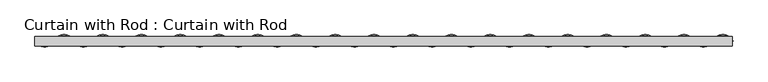
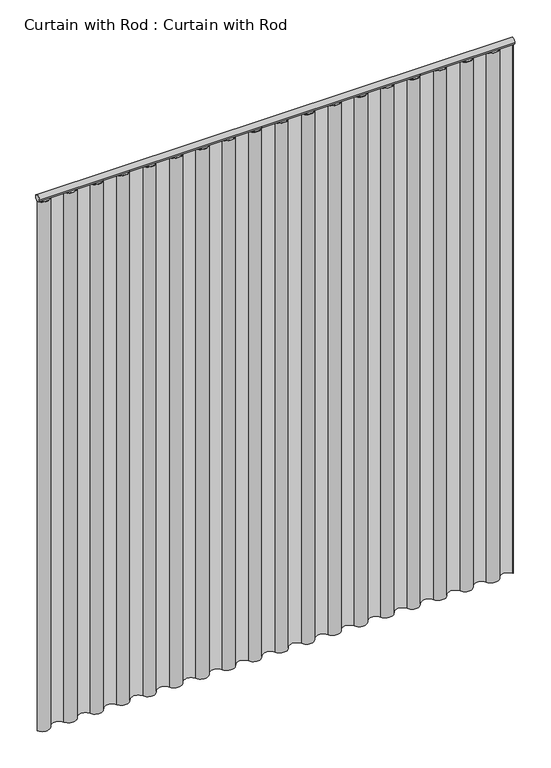
"""IFC4 building model written with IfcOpenShell, lengths in millimetres: proxy geometry, Curtain with Rod : Curtain with Rod."""

from ifc_helpers import new_model, si_unit, point, frame, frame_2d, origin, origin_with_axes, place, context, project, spatial, polyline, circle_curve, trimmed, segment, composite_curve, outline, extrude, source, transform, mapped, element, save


def curtain_with_rod_curtain_with_rod_0c51e3da(model_context):
    return source(origin(), model_context, "Body", "SweptSolid", [
        extrude(outline(composite_curve([segment(trimmed(circle_curve(frame_2d((0.0, 2171.7)), 12.7), [point((12.7, 2171.7))], [point((-12.7, 2171.7))], False, "CARTESIAN"), True, "CONTINUOUS"), segment(trimmed(circle_curve(frame_2d((0.0, 2171.7)), 12.7), [point((-12.7, 2171.7))], [point((12.7, 2171.7))], False, "CARTESIAN"), True, "CONTINUOUS")], self_intersect=False)), frame((-916.72328, 0.0, 0.0), z_axis=(1.0, 0.0, 0.0), x_axis=(0.0, 1.0, 0.0)), (0.0, 0.0, 1.0), 1833.4465601),
        extrude(outline(composite_curve([segment(trimmed(circle_curve(frame_2d((-891.2587445, 12.9779855)), 28.5809496), [point((-865.7942089, 0.0))], [point((-916.72328, 0.0))], False, "CARTESIAN"), True, "CONTINUOUS"), segment(polyline([(-916.72328, 0.0), (-914.8568786, 0.0)]), True, "CONTINUOUS"), segment(trimmed(circle_curve(frame_2d((-891.2587445, 12.9779855)), 26.931395), [point((-914.8568786, 0.0))], [point((-867.231925, 0.8119678))], True, "CARTESIAN"), True, "CONTINUOUS"), segment(trimmed(circle_curve(frame_2d((-840.3296734, -12.820239)), 30.1590485), [point((-867.231925, 0.8119678))], [point((-813.3835205, 0.7249835))], False, "CARTESIAN"), True, "CONTINUOUS"), segment(trimmed(circle_curve(frame_2d((-789.4006023, 12.8016835)), 26.8519469), [point((-813.3835205, 0.7249835))], [point((-765.414648, 0.7310146))], True, "CARTESIAN"), True, "CONTINUOUS"), segment(trimmed(circle_curve(frame_2d((-738.4715311, -12.8016835)), 30.1507125), [point((-765.414648, 0.7310146))], [point((-711.5290624, 0.7323047))], False, "CARTESIAN"), True, "CONTINUOUS"), segment(trimmed(circle_curve(frame_2d((-687.54246, 12.8016835)), 26.8519459), [point((-711.5290624, 0.7323047))], [point((-663.556507, 0.7310145))], True, "CARTESIAN"), True, "CONTINUOUS"), segment(trimmed(circle_curve(frame_2d((-636.6133889, -12.8016835)), 30.1507135), [point((-663.556507, 0.7310145))], [point((-609.6709183, 0.7323034))], False, "CARTESIAN"), True, "CONTINUOUS"), segment(trimmed(circle_curve(frame_2d((-585.6843178, 12.8016835)), 26.8519448), [point((-609.6709183, 0.7323034))], [point((-561.6983649, 0.7310165))], True, "CARTESIAN"), True, "CONTINUOUS"), segment(trimmed(circle_curve(frame_2d((-534.7552467, -12.8016835)), 30.1507146), [point((-561.6983649, 0.7310165))], [point((-507.8127744, 0.7323024))], False, "CARTESIAN"), True, "CONTINUOUS"), segment(trimmed(circle_curve(frame_2d((-483.8261756, 12.8016835)), 26.8519438), [point((-507.8127744, 0.7323024))], [point((-459.8402228, 0.7310186))], True, "CARTESIAN"), True, "CONTINUOUS"), segment(trimmed(circle_curve(frame_2d((-432.8971045, -12.8016835)), 30.1507156), [point((-459.8402228, 0.7310186))], [point((-405.9546305, 0.7323013))], False, "CARTESIAN"), True, "CONTINUOUS"), segment(trimmed(circle_curve(frame_2d((-381.9680334, 12.8016835)), 26.8519427), [point((-405.9546305, 0.7323013))], [point((-357.9820807, 0.7310207))], True, "CARTESIAN"), True, "CONTINUOUS"), segment(trimmed(circle_curve(frame_2d((-331.0389622, -12.8016835)), 30.1507166), [point((-357.9820807, 0.7310207))], [point((-304.0964865, 0.7323002))], False, "CARTESIAN"), True, "CONTINUOUS"), segment(trimmed(circle_curve(frame_2d((-280.1098911, 12.8016835)), 26.8519417), [point((-304.0964865, 0.7323002))], [point((-256.1239386, 0.7310227))], True, "CARTESIAN"), True, "CONTINUOUS"), segment(trimmed(circle_curve(frame_2d((-229.18082, -12.8016835)), 30.1507177), [point((-256.1239386, 0.7310227))], [point((-202.2383426, 0.7322992))], False, "CARTESIAN"), True, "CONTINUOUS"), segment(trimmed(circle_curve(frame_2d((-178.2517489, 12.8016835)), 26.8519407), [point((-202.2383426, 0.7322992))], [point((-154.2657965, 0.7310248))], True, "CARTESIAN"), True, "CONTINUOUS"), segment(trimmed(circle_curve(frame_2d((-127.3226778, -12.8016835)), 30.1507187), [point((-154.2657965, 0.7310248))], [point((-100.3801987, 0.7322981))], False, "CARTESIAN"), True, "CONTINUOUS"), segment(trimmed(circle_curve(frame_2d((-76.3936067, 12.8016835)), 26.8519396), [point((-100.3801987, 0.7322981))], [point((-52.4076543, 0.7310268))], True, "CARTESIAN"), True, "CONTINUOUS"), segment(trimmed(circle_curve(frame_2d((-25.4645356, -12.8016835)), 30.1507197), [point((-52.4076543, 0.7310268))], [point((1.4779452, 0.732297))], False, "CARTESIAN"), True, "CONTINUOUS"), segment(trimmed(circle_curve(frame_2d((25.4645356, 12.8016835)), 26.8519386), [point((1.4779452, 0.732297))], [point((49.4504878, 0.7310289))], True, "CARTESIAN"), True, "CONTINUOUS"), segment(trimmed(circle_curve(frame_2d((76.3936067, -12.8016835)), 30.1507208), [point((49.4504878, 0.7310289))], [point((103.3360891, 0.7322959))], False, "CARTESIAN"), True, "CONTINUOUS"), segment(trimmed(circle_curve(frame_2d((127.3226778, 12.8016835)), 26.8519376), [point((103.3360891, 0.7322959))], [point((151.3086299, 0.731031))], True, "CARTESIAN"), True, "CONTINUOUS"), segment(trimmed(circle_curve(frame_2d((178.2517489, -12.8016835)), 30.1507218), [point((151.3086299, 0.731031))], [point((205.1942331, 0.7322949))], False, "CARTESIAN"), True, "CONTINUOUS"), segment(trimmed(circle_curve(frame_2d((229.18082, 12.8016835)), 26.8519366), [point((205.1942331, 0.7322949))], [point((253.166772, 0.731033))], True, "CARTESIAN"), True, "CONTINUOUS"), segment(trimmed(circle_curve(frame_2d((280.1098911, -12.8016835)), 30.1507228), [point((253.166772, 0.731033))], [point((307.052377, 0.7322938))], False, "CARTESIAN"), True, "CONTINUOUS"), segment(trimmed(circle_curve(frame_2d((331.0389622, 12.8016835)), 26.8519355), [point((307.052377, 0.7322938))], [point((355.0249141, 0.7310351))], True, "CARTESIAN"), True, "CONTINUOUS"), segment(trimmed(circle_curve(frame_2d((381.9680334, -12.8016835)), 30.1507238), [point((355.0249141, 0.7310351))], [point((408.9105209, 0.7322927))], False, "CARTESIAN"), True, "CONTINUOUS"), segment(trimmed(circle_curve(frame_2d((432.8971045, 12.8016835)), 26.8519345), [point((408.9105209, 0.7322927))], [point((456.8830562, 0.7310371))], True, "CARTESIAN"), True, "CONTINUOUS"), segment(trimmed(circle_curve(frame_2d((483.8261756, -12.8016835)), 30.1507248), [point((456.8830562, 0.7310371))], [point((510.7686648, 0.7322916))], False, "CARTESIAN"), True, "CONTINUOUS"), segment(trimmed(circle_curve(frame_2d((534.7552467, 12.8016835)), 26.8519335), [point((510.7686648, 0.7322916))], [point((558.7411984, 0.7310392))], True, "CARTESIAN"), True, "CONTINUOUS"), segment(trimmed(circle_curve(frame_2d((585.6843178, -12.8016835)), 30.1507259), [point((558.7411984, 0.7310392))], [point((612.6268087, 0.7322905))], False, "CARTESIAN"), True, "CONTINUOUS"), segment(trimmed(circle_curve(frame_2d((636.6133889, 12.8016835)), 26.8519325), [point((612.6268087, 0.7322905))], [point((660.5993405, 0.7310412))], True, "CARTESIAN"), True, "CONTINUOUS"), segment(trimmed(circle_curve(frame_2d((687.54246, -12.8016835)), 30.1507269), [point((660.5993405, 0.7310412))], [point((714.4849528, 0.732289))], False, "CARTESIAN"), True, "CONTINUOUS"), segment(trimmed(circle_curve(frame_2d((738.4715311, 12.8016835)), 26.8519315), [point((714.4849528, 0.732289))], [point((762.456349, 0.7287909))], True, "CARTESIAN"), True, "CONTINUOUS"), segment(trimmed(circle_curve(frame_2d((789.4006023, -12.8073641)), 30.1532797), [point((762.456349, 0.7287909))], [point((816.3514136, 0.7157289))], False, "CARTESIAN"), True, "CONTINUOUS"), segment(trimmed(circle_curve(frame_2d((840.3296734, 12.7660758)), 26.8359424), [point((816.3514136, 0.7157289))], [point((864.3684342, 0.8368771))], True, "CARTESIAN"), True, "CONTINUOUS"), segment(trimmed(circle_curve(frame_2d((891.2587445, -12.7018692)), 30.1062525), [point((864.3684342, 0.8368771))], [point((918.5543295, 0.0))], False, "CARTESIAN"), True, "CONTINUOUS"), segment(polyline([(918.5543295, 0.0), (916.72328, 0.0)]), True, "CONTINUOUS"), segment(trimmed(circle_curve(frame_2d((891.2587445, -12.7018692)), 28.4566346), [point((916.72328, 0.0))], [point((865.7942089, 0.0))], True, "CARTESIAN"), True, "CONTINUOUS"), segment(trimmed(circle_curve(frame_2d((840.3296734, 12.7660758)), 28.4853517), [point((865.7942089, 0.0))], [point((814.8651378, 0.0))], False, "CARTESIAN"), True, "CONTINUOUS"), segment(trimmed(circle_curve(frame_2d((789.4006023, -12.8073641)), 28.5038795), [point((814.8651378, 0.0))], [point((763.9360667, 0.0))], True, "CARTESIAN"), True, "CONTINUOUS"), segment(trimmed(circle_curve(frame_2d((738.4715311, 12.8016835)), 28.5013276), [point((763.9360667, 0.0))], [point((713.0069956, 0.0))], False, "CARTESIAN"), True, "CONTINUOUS"), segment(trimmed(circle_curve(frame_2d((687.54246, -12.8016835)), 28.5013276), [point((713.0069956, 0.0))], [point((662.0779245, 0.0))], True, "CARTESIAN"), True, "CONTINUOUS"), segment(trimmed(circle_curve(frame_2d((636.6133889, 12.8016835)), 28.5013276), [point((662.0779245, 0.0))], [point((611.1488534, 0.0))], False, "CARTESIAN"), True, "CONTINUOUS"), segment(trimmed(circle_curve(frame_2d((585.6843178, -12.8016835)), 28.5013276), [point((611.1488534, 0.0))], [point((560.2197822, 0.0))], True, "CARTESIAN"), True, "CONTINUOUS"), segment(trimmed(circle_curve(frame_2d((534.7552467, 12.8016835)), 28.5013276), [point((560.2197822, 0.0))], [point((509.2907111, 0.0))], False, "CARTESIAN"), True, "CONTINUOUS"), segment(trimmed(circle_curve(frame_2d((483.8261756, -12.8016835)), 28.5013276), [point((509.2907111, 0.0))], [point((458.36164, 0.0))], True, "CARTESIAN"), True, "CONTINUOUS"), segment(trimmed(circle_curve(frame_2d((432.8971045, 12.8016835)), 28.5013276), [point((458.36164, 0.0))], [point((407.4325689, 0.0))], False, "CARTESIAN"), True, "CONTINUOUS"), segment(trimmed(circle_curve(frame_2d((381.9680334, -12.8016835)), 28.5013276), [point((407.4325689, 0.0))], [point((356.5034978, 0.0))], True, "CARTESIAN"), True, "CONTINUOUS"), segment(trimmed(circle_curve(frame_2d((331.0389622, 12.8016835)), 28.5013276), [point((356.5034978, 0.0))], [point((305.5744267, 0.0))], False, "CARTESIAN"), True, "CONTINUOUS"), segment(trimmed(circle_curve(frame_2d((280.1098911, -12.8016835)), 28.5013276), [point((305.5744267, 0.0))], [point((254.6453556, 0.0))], True, "CARTESIAN"), True, "CONTINUOUS"), segment(trimmed(circle_curve(frame_2d((229.18082, 12.8016835)), 28.5013276), [point((254.6453556, 0.0))], [point((203.7162845, 0.0))], False, "CARTESIAN"), True, "CONTINUOUS"), segment(trimmed(circle_curve(frame_2d((178.2517489, -12.8016835)), 28.5013276), [point((203.7162845, 0.0))], [point((152.7872133, 0.0))], True, "CARTESIAN"), True, "CONTINUOUS"), segment(trimmed(circle_curve(frame_2d((127.3226778, 12.8016835)), 28.5013276), [point((152.7872133, 0.0))], [point((101.8581422, 0.0))], False, "CARTESIAN"), True, "CONTINUOUS"), segment(trimmed(circle_curve(frame_2d((76.3936067, -12.8016835)), 28.5013276), [point((101.8581422, 0.0))], [point((50.9290711, 0.0))], True, "CARTESIAN"), True, "CONTINUOUS"), segment(trimmed(circle_curve(frame_2d((25.4645356, 12.8016835)), 28.5013276), [point((50.9290711, 0.0))], [point((0.0, 0.0))], False, "CARTESIAN"), True, "CONTINUOUS"), segment(trimmed(circle_curve(frame_2d((-25.4645356, -12.8016835)), 28.5013276), [point((0.0, 0.0))], [point((-50.9290711, 0.0))], True, "CARTESIAN"), True, "CONTINUOUS"), segment(trimmed(circle_curve(frame_2d((-76.3936067, 12.8016835)), 28.5013276), [point((-50.9290711, 0.0))], [point((-101.8581422, 0.0))], False, "CARTESIAN"), True, "CONTINUOUS"), segment(trimmed(circle_curve(frame_2d((-127.3226778, -12.8016835)), 28.5013276), [point((-101.8581422, 0.0))], [point((-152.7872133, 0.0))], True, "CARTESIAN"), True, "CONTINUOUS"), segment(trimmed(circle_curve(frame_2d((-178.2517489, 12.8016835)), 28.5013276), [point((-152.7872133, 0.0))], [point((-203.7162845, 0.0))], False, "CARTESIAN"), True, "CONTINUOUS"), segment(trimmed(circle_curve(frame_2d((-229.18082, -12.8016835)), 28.5013276), [point((-203.7162845, 0.0))], [point((-254.6453556, 0.0))], True, "CARTESIAN"), True, "CONTINUOUS"), segment(trimmed(circle_curve(frame_2d((-280.1098911, 12.8016835)), 28.5013276), [point((-254.6453556, 0.0))], [point((-305.5744267, 0.0))], False, "CARTESIAN"), True, "CONTINUOUS"), segment(trimmed(circle_curve(frame_2d((-331.0389622, -12.8016835)), 28.5013276), [point((-305.5744267, 0.0))], [point((-356.5034978, 0.0))], True, "CARTESIAN"), True, "CONTINUOUS"), segment(trimmed(circle_curve(frame_2d((-381.9680334, 12.8016835)), 28.5013276), [point((-356.5034978, 0.0))], [point((-407.4325689, 0.0))], False, "CARTESIAN"), True, "CONTINUOUS"), segment(trimmed(circle_curve(frame_2d((-432.8971045, -12.8016835)), 28.5013276), [point((-407.4325689, 0.0))], [point((-458.36164, 0.0))], True, "CARTESIAN"), True, "CONTINUOUS"), segment(trimmed(circle_curve(frame_2d((-483.8261756, 12.8016835)), 28.5013276), [point((-458.36164, 0.0))], [point((-509.2907111, 0.0))], False, "CARTESIAN"), True, "CONTINUOUS"), segment(trimmed(circle_curve(frame_2d((-534.7552467, -12.8016835)), 28.5013276), [point((-509.2907111, 0.0))], [point((-560.2197822, 0.0))], True, "CARTESIAN"), True, "CONTINUOUS"), segment(trimmed(circle_curve(frame_2d((-585.6843178, 12.8016835)), 28.5013276), [point((-560.2197822, 0.0))], [point((-611.1488534, 0.0))], False, "CARTESIAN"), True, "CONTINUOUS"), segment(trimmed(circle_curve(frame_2d((-636.6133889, -12.8016835)), 28.5013276), [point((-611.1488534, 0.0))], [point((-662.0779245, 0.0))], True, "CARTESIAN"), True, "CONTINUOUS"), segment(trimmed(circle_curve(frame_2d((-687.54246, 12.8016835)), 28.5013276), [point((-662.0779245, 0.0))], [point((-713.0069956, 0.0))], False, "CARTESIAN"), True, "CONTINUOUS"), segment(trimmed(circle_curve(frame_2d((-738.4715311, -12.8016835)), 28.5013276), [point((-713.0069956, 0.0))], [point((-763.9360667, 0.0))], True, "CARTESIAN"), True, "CONTINUOUS"), segment(trimmed(circle_curve(frame_2d((-789.4006023, 12.8016835)), 28.5013276), [point((-763.9360667, 0.0))], [point((-814.8651378, 0.0))], False, "CARTESIAN"), True, "CONTINUOUS"), segment(trimmed(circle_curve(frame_2d((-840.3296734, -12.820239)), 28.5096668), [point((-814.8651378, 0.0))], [point((-865.7942089, 0.0))], True, "CARTESIAN"), True, "CONTINUOUS")], self_intersect=False)), origin_with_axes(), (0.0, 0.0, 1.0), 2159.0),
    ])


if __name__ == "__main__":
    model = new_model("IFC4")
    model_context = context("Model", 3, world=origin())
    ifc_project = project(units=[si_unit("LENGTHUNIT", "METRE", prefix="MILLI")], contexts=[model_context])
    site = spatial("IfcSite", under=ifc_project)
    building = spatial("IfcBuilding", under=site)
    placement = place(None, origin())
    curtain_with_rod_curtain_with_rod_shape = curtain_with_rod_curtain_with_rod_0c51e3da(model_context)
    element("IfcBuildingElementProxy", 1, Name="Curtain with Rod : Curtain with Rod", ObjectType="Curtain with Rod : Curtain with Rod", at=placement, inside=building, context=model_context, shape_type="MappedRepresentation", body=[
        mapped(curtain_with_rod_curtain_with_rod_shape, transform((0.0, 0.0, 0.0), x_axis=(1.0, 0.0, 0.0), y_axis=(0.0, 1.0, 0.0), z_axis=(0.0, 0.0, 1.0))),
    ])
    save(model, "model.ifc")
